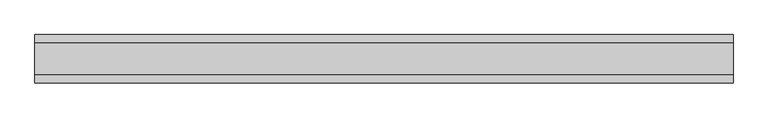
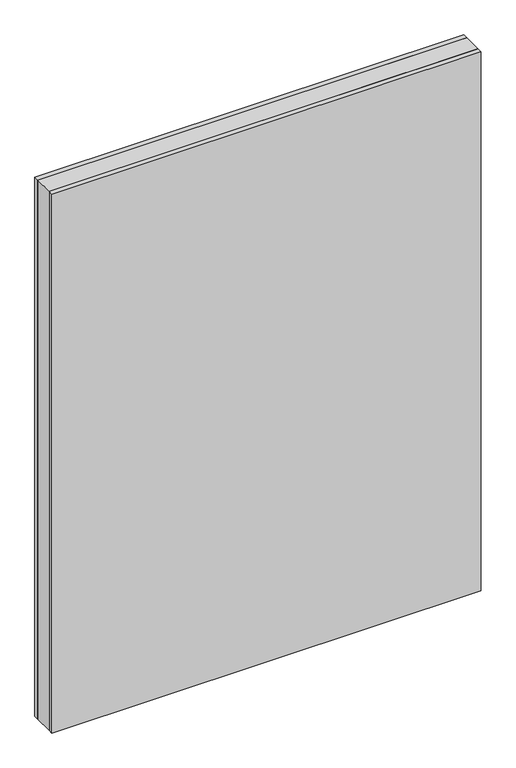
"""IFC4 building model written with IfcOpenShell, lengths in millimetres: plate geometry."""

from ifc_helpers import new_model, si_unit, origin, origin_with_axes, place, context, project, spatial, polyline, outline, extrude, source, transform, mapped, element, save


def plate_72a26469(model_context):
    return source(origin(), model_context, "Body", "SweptSolid", [
        extrude(outline(polyline([(539.6874999, 24.2), (539.6874999, -24.2), (-539.6874999, -24.2), (-539.6874999, 24.2), (539.6874999, 24.2)])), origin_with_axes(), (0.0, 0.0, 1.0), 1432.75),
        extrude(outline(polyline([(539.6874999, 37.2), (539.6874999, 24.2), (-539.6874999, 24.2), (-539.6874999, 37.2), (539.6874999, 37.2)])), origin_with_axes(), (0.0, 0.0, 1.0), 1432.75),
        extrude(outline(polyline([(-539.6874999, -37.2), (-539.6874999, -24.2), (539.6874999, -24.2), (539.6874999, -37.2), (-539.6874999, -37.2)])), origin_with_axes(), (0.0, 0.0, 1.0), 1432.75),
    ])


if __name__ == "__main__":
    model = new_model("IFC4")
    model_context = context("Model", 3, world=origin())
    ifc_project = project(units=[si_unit("LENGTHUNIT", "METRE", prefix="MILLI")], contexts=[model_context])
    site = spatial("IfcSite", under=ifc_project)
    building = spatial("IfcBuilding", under=site)
    placement = place(None, origin())
    plate_shape = plate_72a26469(model_context)
    element("IfcPlate", 1, at=placement, inside=building, context=model_context, shape_type="MappedRepresentation", body=[
        mapped(plate_shape, transform((0.0, 0.0, 0.0), x_axis=(1.0, 0.0, 0.0), y_axis=(0.0, 1.0, 0.0), z_axis=(0.0, 0.0, 1.0))),
    ])
    save(model, "model.ifc")
